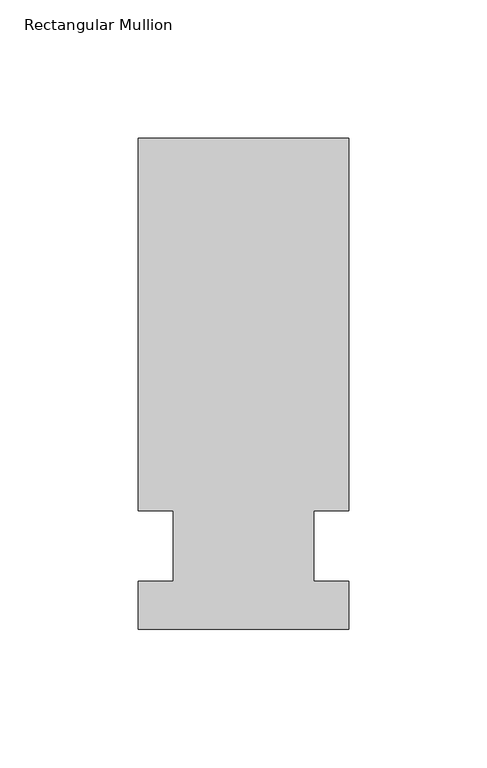
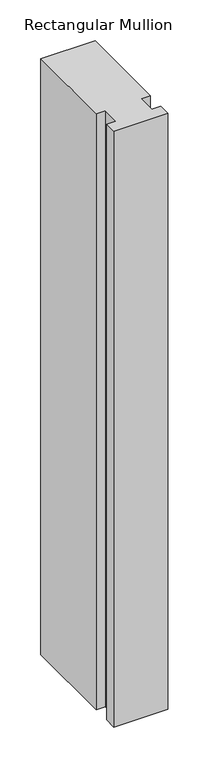
"""IFC4 building model written with IfcOpenShell, lengths in millimetres: member geometry, Rectangular Mullion."""

from ifc_helpers import new_model, si_unit, frame, origin, place, context, project, spatial, polyline, outline, extrude, source, transform, mapped, element, save


def rectangular_mullion_3dbd39bd(model_context):
    return source(origin(), model_context, "Body", "SweptSolid", [
        extrude(outline(polyline([(42.4344027, 147.6375), (42.4344027, 12.7), (29.7326322, 12.7), (29.7326322, -12.7), (42.4344027, -12.7), (42.4344027, -30.1625), (-33.7655973, -30.1625), (-33.7655973, -12.7), (-21.0655973, -12.7), (-21.0655973, 12.7), (-33.7655973, 12.7), (-33.7655973, 147.6375), (42.4344027, 147.6375)])), frame((0.0, 0.0, -887.8405973), z_axis=(0.0, 0.0, 1.0), x_axis=(1.0, 0.0, 0.0)), (0.0, 0.0, 1.0), 887.8405973),
    ])


if __name__ == "__main__":
    model = new_model("IFC4")
    model_context = context("Model", 3, world=origin())
    ifc_project = project(units=[si_unit("LENGTHUNIT", "METRE", prefix="MILLI")], contexts=[model_context])
    site = spatial("IfcSite", under=ifc_project)
    building = spatial("IfcBuilding", under=site)
    placement = place(None, origin())
    rectangular_mullion_shape = rectangular_mullion_3dbd39bd(model_context)
    element("IfcMember", 1, ObjectType="Rectangular Mullion", at=placement, inside=building, context=model_context, shape_type="MappedRepresentation", body=[
        mapped(rectangular_mullion_shape, transform((0.0, 0.0, 0.0), x_axis=(1.0, 0.0, 0.0), y_axis=(0.0, 1.0, 0.0), z_axis=(0.0, 0.0, 1.0))),
    ])
    save(model, "model.ifc")
